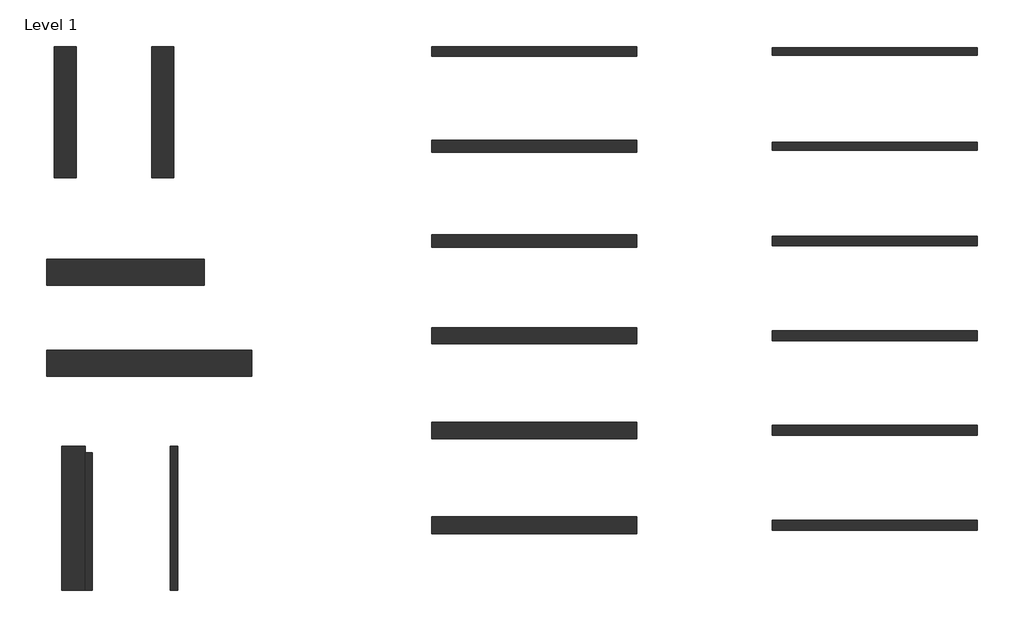
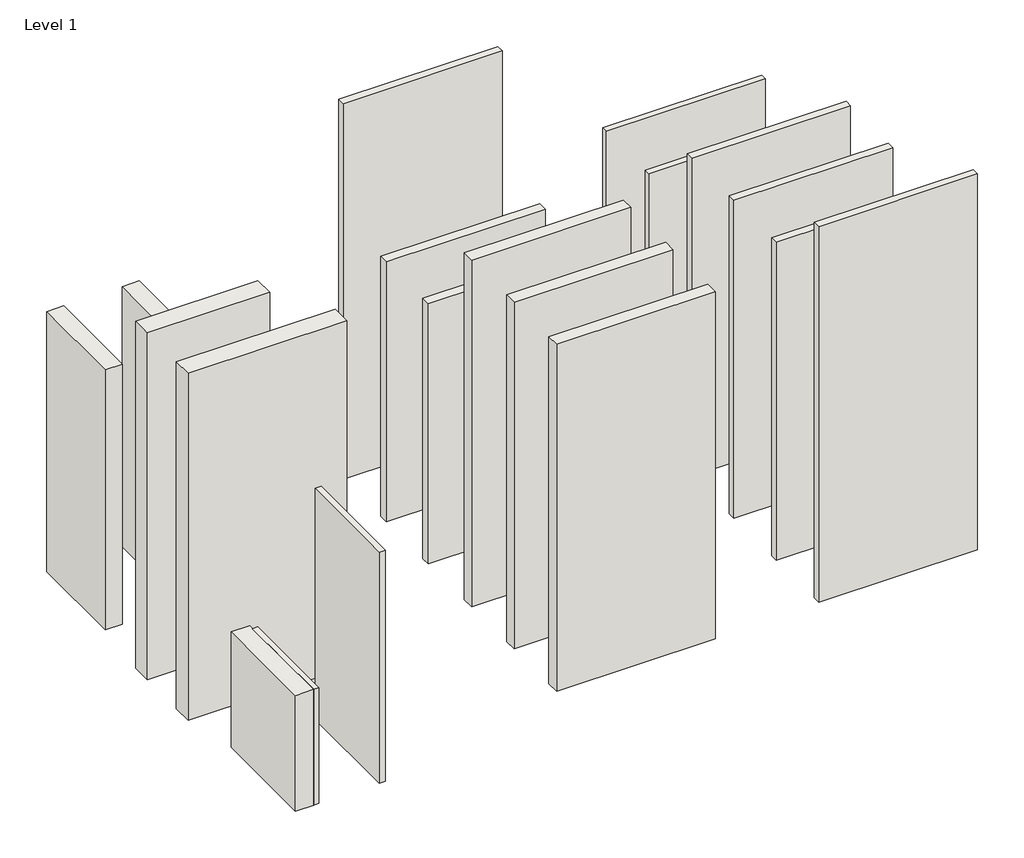
# One storey: 19 walls.
"""IFC4 building model written with IfcOpenShell, lengths in millimetres."""

from ifc_helpers import new_model, si_unit, origin, origin_with_axes, place, context, project, spatial, polyline, outline, extrude, element, save

model = new_model("IFC4")

# Units and contexts
model_context = context("Model", 3, world=origin())
ifc_project = project(units=[si_unit("LENGTHUNIT", "METRE", prefix="MILLI")], contexts=[model_context])

# Site, building, storey
site = spatial("IfcSite", under=ifc_project)
building = spatial("IfcBuilding", under=site)
storey = spatial("IfcBuildingStorey", under=building, Name="Level 1", Elevation=0.0)

# Walls
placement = place(None, origin())
element("IfcWall", 1, at=placement, inside=storey, context=model_context, shape_type="SweptSolid", body=[
    extrude(outline(polyline([(-15594.9663585, 2916.8440506), (-15594.9663585, 4654.4603095), (-15509.9663585, 4654.4603095), (-15509.9663585, 2916.8440506), (-15594.9663585, 2916.8440506)])), origin_with_axes(), (0.0, 0.0, 1.0), 2000.0),
])
element("IfcWall", 2, at=placement, inside=storey, context=model_context, shape_type="SweptSolid", body=[
    extrude(outline(polyline([(-14523.4382084, 2916.8440506), (-14523.4382084, 4736.8440506), (-14423.4382084, 4736.8440506), (-14423.4382084, 2916.8440506), (-14523.4382084, 2916.8440506)])), origin_with_axes(), (0.0, 0.0, 1.0), 4000.0),
])
element("IfcWall", 3, at=placement, inside=storey, context=model_context, shape_type="SweptSolid", body=[
    extrude(outline(polyline([(-13487.9119935, 5624.2792722), (-16087.9119935, 5624.2792722), (-16087.9119935, 5954.2792722), (-13487.9119935, 5954.2792722), (-13487.9119935, 5624.2792722)])), origin_with_axes(), (0.0, 0.0, 1.0), 6000.0),
])
element("IfcWall", 4, at=placement, inside=storey, context=model_context, shape_type="SweptSolid", body=[
    extrude(outline(polyline([(-14087.9119935, 6778.1659056), (-16087.9119935, 6778.1659056), (-16087.9119935, 7108.1659056), (-14087.9119935, 7108.1659056), (-14087.9119935, 6778.1659056)])), origin_with_axes(), (0.0, 0.0, 1.0), 6000.0),
])
element("IfcWall", 5, at=placement, inside=storey, context=model_context, shape_type="SweptSolid", body=[
    extrude(outline(polyline([(-15991.0384102, 8142.8979592), (-15991.0384102, 9802.8979592), (-15711.0384102, 9802.8979592), (-15711.0384102, 8142.8979592), (-15991.0384102, 8142.8979592)])), origin_with_axes(), (0.0, 0.0, 1.0), 4500.0),
])
element("IfcWall", 6, at=placement, inside=storey, context=model_context, shape_type="SweptSolid", body=[
    extrude(outline(polyline([(-8609.0702464, 3632.8979592), (-11209.0702464, 3632.8979592), (-11209.0702464, 3847.8979592), (-8609.0702464, 3847.8979592), (-8609.0702464, 3632.8979592)])), origin_with_axes(), (0.0, 0.0, 1.0), 6000.0),
])
element("IfcWall", 7, at=placement, inside=storey, context=model_context, shape_type="SweptSolid", body=[
    extrude(outline(polyline([(-8609.0702464, 4837.8979592), (-11209.0702464, 4837.8979592), (-11209.0702464, 5042.8979592), (-8609.0702464, 5042.8979592), (-8609.0702464, 4837.8979592)])), origin_with_axes(), (0.0, 0.0, 1.0), 6000.0),
])
element("IfcWall", 8, at=placement, inside=storey, context=model_context, shape_type="SweptSolid", body=[
    extrude(outline(polyline([(-8609.0702464, 6037.8979592), (-11209.0702464, 6037.8979592), (-11209.0702464, 6242.8979592), (-8609.0702464, 6242.8979592), (-8609.0702464, 6037.8979592)])), origin_with_axes(), (0.0, 0.0, 1.0), 6000.0),
])
element("IfcWall", 9, at=placement, inside=storey, context=model_context, shape_type="SweptSolid", body=[
    extrude(outline(polyline([(-8609.0702464, 7262.8979592), (-11209.0702464, 7262.8979592), (-11209.0702464, 7417.8979592), (-8609.0702464, 7417.8979592), (-8609.0702464, 7262.8979592)])), origin_with_axes(), (0.0, 0.0, 1.0), 4500.0),
])
element("IfcWall", 10, at=placement, inside=storey, context=model_context, shape_type="SweptSolid", body=[
    extrude(outline(polyline([(-8609.0702464, 8462.8979592), (-11209.0702464, 8462.8979592), (-11209.0702464, 8617.8979592), (-8609.0702464, 8617.8979592), (-8609.0702464, 8462.8979592)])), origin_with_axes(), (0.0, 0.0, 1.0), 4500.0),
])
element("IfcWall", 11, at=placement, inside=storey, context=model_context, shape_type="SweptSolid", body=[
    extrude(outline(polyline([(-8609.0702464, 9677.8979592), (-11209.0702464, 9677.8979592), (-11209.0702464, 9802.8979592), (-8609.0702464, 9802.8979592), (-8609.0702464, 9677.8979592)])), origin_with_axes(), (0.0, 0.0, 1.0), 6500.0),
])
element("IfcWall", 12, at=placement, inside=storey, context=model_context, shape_type="SweptSolid", body=[
    extrude(outline(polyline([(-4296.2605993, 3677.8979592), (-6896.2605993, 3677.8979592), (-6896.2605993, 3802.8979592), (-4296.2605993, 3802.8979592), (-4296.2605993, 3677.8979592)])), origin_with_axes(), (0.0, 0.0, 1.0), 6500.0),
])
element("IfcWall", 13, at=placement, inside=storey, context=model_context, shape_type="SweptSolid", body=[
    extrude(outline(polyline([(-4296.2605993, 4877.8979592), (-6896.2605993, 4877.8979592), (-6896.2605993, 5002.8979592), (-4296.2605993, 5002.8979592), (-4296.2605993, 4877.8979592)])), origin_with_axes(), (0.0, 0.0, 1.0), 5500.0),
])
element("IfcWall", 14, at=placement, inside=storey, context=model_context, shape_type="SweptSolid", body=[
    extrude(outline(polyline([(-4296.2605993, 6077.8979592), (-6896.2605993, 6077.8979592), (-6896.2605993, 6202.8979592), (-4296.2605993, 6202.8979592), (-4296.2605993, 6077.8979592)])), origin_with_axes(), (0.0, 0.0, 1.0), 5500.0),
])
element("IfcWall", 15, at=placement, inside=storey, context=model_context, shape_type="SweptSolid", body=[
    extrude(outline(polyline([(-4296.2605993, 7277.8979592), (-6896.2605993, 7277.8979592), (-6896.2605993, 7402.8979592), (-4296.2605993, 7402.8979592), (-4296.2605993, 7277.8979592)])), origin_with_axes(), (0.0, 0.0, 1.0), 5500.0),
])
element("IfcWall", 16, at=placement, inside=storey, context=model_context, shape_type="SweptSolid", body=[
    extrude(outline(polyline([(-4296.2605993, 8490.3979592), (-6896.2605993, 8490.3979592), (-6896.2605993, 8590.3979592), (-4296.2605993, 8590.3979592), (-4296.2605993, 8490.3979592)])), origin_with_axes(), (0.0, 0.0, 1.0), 4500.0),
])
element("IfcWall", 17, at=placement, inside=storey, context=model_context, shape_type="SweptSolid", body=[
    extrude(outline(polyline([(-4296.2605993, 9690.3979592), (-6896.2605993, 9690.3979592), (-6896.2605993, 9790.3979592), (-4296.2605993, 9790.3979592), (-4296.2605993, 9690.3979592)])), origin_with_axes(), (0.0, 0.0, 1.0), 4500.0),
])
element("IfcWall", 18, at=placement, inside=storey, context=model_context, shape_type="SweptSolid", body=[
    extrude(outline(polyline([(-14755.8380067, 8142.8979592), (-14755.8380067, 9802.8979592), (-14475.8380067, 9802.8979592), (-14475.8380067, 8142.8979592), (-14755.8380067, 8142.8979592)])), origin_with_axes(), (0.0, 0.0, 1.0), 4500.0),
])
element("IfcWall", 19, ObjectType="Generic - 300mm", at=placement, inside=storey, context=model_context, shape_type="SweptSolid", body=[
    extrude(outline(polyline([(-15594.9663585, 4736.8440506), (-15594.9663585, 2916.8440506), (-15894.9663585, 2916.8440506), (-15894.9663585, 4736.8440506), (-15594.9663585, 4736.8440506)])), origin_with_axes(), (0.0, 0.0, 1.0), 2000.0),
])

save(model, "model.ifc")
